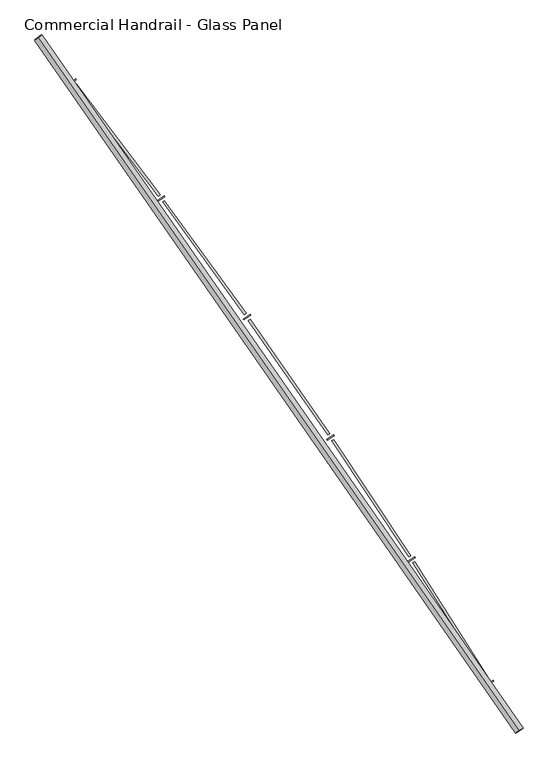
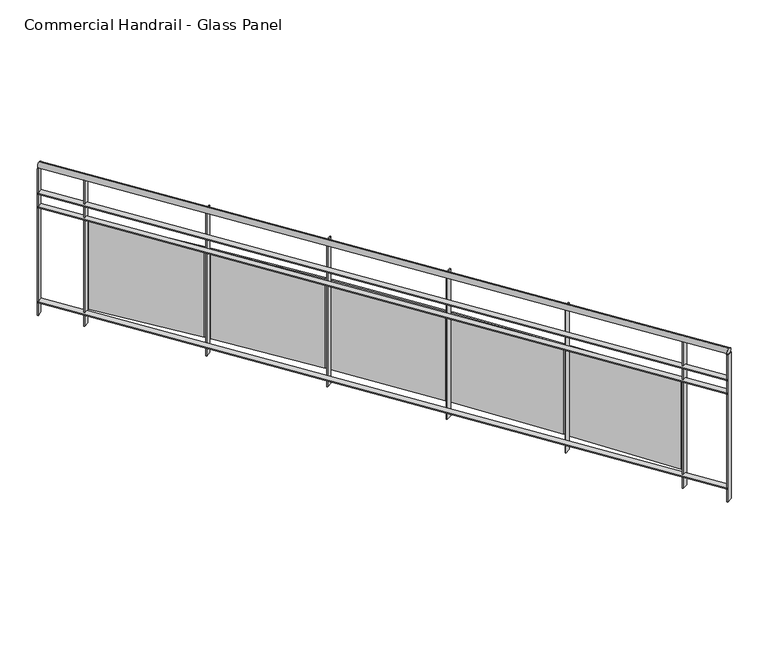
"""IFC4 building model written with IfcOpenShell, lengths in millimetres: railing geometry, Commercial Handrail - Glass Panel."""

from ifc_helpers import new_model, si_unit, point, frame, origin, place, context, project, spatial, polyline, circle_curve, ellipse_curve, trimmed, outline, extrude, source, transform, mapped, element, save
from ifc_brep_helpers import plane_surface, cylinder_surface, revolved_surface, advanced_brep


def commercial_handrail_glass_panel_457b8309(model_context):
    return source(origin(), model_context, "Body", "SolidModel", [
        advanced_brep(
        [(174947.1226561, -30258.7265853, 23082.5), (172321.2493354, -26475.2644148, 23082.5), (172321.2493354, -26475.2644148, 23117.5), (174947.1226561, -30258.7265853, 23117.5)],
        [
            (0, 1, circle_curve(frame((141591.4318743, -50605.9420988, 23082.5), z_axis=(0.0, 0.0, 1.0), x_axis=(0.7864946016239663, 0.6175971515610791, 0.0)), 39071.873345)),
            (1, 2, ellipse_curve(frame((172321.2493354, -26475.2644148, 23100.0), z_axis=(0.6175971515610744, -0.78649460162397, 0.0), x_axis=(-0.78649460162397, -0.6175971515610744, 0.0)), 25.0, 17.5)),
            (2, 3, circle_curve(frame((141591.4318743, -50605.9420988, 23117.5), z_axis=(0.0, 0.0, -1.0), x_axis=(0.7864946016239663, 0.6175971515610791, 0.0)), 39071.873345)),
            (3, 0, ellipse_curve(frame((174947.1226561, -30258.7265853, 23100.0), z_axis=(-0.5207637559080609, 0.8537008319853798, 0.0), x_axis=(-0.8537008319853798, -0.5207637559080609, 0.0)), 25.0, 17.5)),
            (2, 1, ellipse_curve(frame((172321.2493354, -26475.2644148, 23100.0), z_axis=(0.6175971515610744, -0.78649460162397, 0.0), x_axis=(-0.78649460162397, -0.6175971515610744, 0.0)), 25.0, 17.5)),
            (0, 3, ellipse_curve(frame((174947.1226561, -30258.7265853, 23100.0), z_axis=(-0.5207637559080609, 0.8537008319853798, 0.0), x_axis=(-0.8537008319853798, -0.5207637559080609, 0.0)), 25.0, 17.5)),
        ],
        [
            revolved_surface(trimmed(ellipse_curve(frame((172321.2493354, -26475.2644148, 23100.0), z_axis=(-0.6175971515610791, 0.7864946016239663, 0.0), x_axis=(0.0, 0.0, -1.0)), 17.5, 25.0), [point((172321.2493354, -26475.2644148, 23117.5))], [point((172321.2493354, -26475.2644148, 23082.5))], True, "CARTESIAN"), (141591.4318743, -50605.9420988, 23100.0), (0.0, 0.0, -1.0)),
            revolved_surface(trimmed(ellipse_curve(frame((172321.2493354, -26475.2644148, 23100.0), z_axis=(-0.6175971515610791, 0.7864946016239663, 0.0), x_axis=(0.0, 0.0, -1.0)), 17.5, 25.0), [point((172321.2493354, -26475.2644148, 23082.5))], [point((172321.2493354, -26475.2644148, 23117.5))], True, "CARTESIAN"), (141591.4318743, -50605.9420988, 23100.0), (0.0, 0.0, -1.0)),
            plane_surface(frame((172321.2493354, -26475.2644148, 23100.0), z_axis=(-0.6175971515610791, 0.7864946016239663, 0.0), x_axis=(0.7864946016239663, 0.6175971515610791, 0.0))),
            plane_surface(frame((174947.1226561, -30258.7265853, 23100.0), z_axis=(0.5207637559080605, -0.85370083198538, 0.0), x_axis=(0.85370083198538, 0.5207637559080605, 0.0))),
        ],
        [
            (0, [[1, 2, 3, 4]]),
            (1, [[-3, 5, -1, 6]]),
            (2, [[-2, -5]]),
            (3, [[-6, -4]]),
        ],
    ),
        advanced_brep(
        [(174966.3309248, -30247.0094008, 22900.0), (172338.945464, -26461.3684789, 22900.0), (172303.5532069, -26489.1603507, 22900.0), (174927.9143874, -30270.4437698, 22900.0), (174966.3309248, -30247.0094008, 22894.0), (172338.945464, -26461.3684789, 22894.0), (174927.9143874, -30270.4437698, 22894.0), (172303.5532069, -26489.1603507, 22894.0)],
        [
            (0, 1, circle_curve(frame((141591.4318743, -50605.9420988, 22900.0), z_axis=(0.0, 0.0, 1.0), x_axis=(0.7864946016239663, 0.6175971515610791, 0.0)), 39094.373345)),
            (1, 2),
            (2, 3, circle_curve(frame((141591.4318743, -50605.9420988, 22900.0), z_axis=(0.0, 0.0, -1.0), x_axis=(0.7864946016239663, 0.6175971515610791, 0.0)), 39049.373345)),
            (3, 0),
            (4, 5, circle_curve(frame((141591.4318743, -50605.9420988, 22894.0), z_axis=(0.0, 0.0, 1.0), x_axis=(0.7864946016239663, 0.6175971515610791, 0.0)), 39094.373345)),
            (5, 1),
            (0, 4),
            (6, 7, circle_curve(frame((141591.4318743, -50605.9420988, 22894.0), z_axis=(0.0, 0.0, 1.0), x_axis=(0.7864946016239663, 0.6175971515610791, 0.0)), 39049.373345)),
            (7, 5),
            (4, 6),
            (2, 7),
            (6, 3),
        ],
        [
            plane_surface(frame((141591.4318743, -50605.9420988, 22900.0), z_axis=(0.0, 0.0, 1.0), x_axis=(0.7864946016239663, 0.6175971515610791, 0.0))),
            cylinder_surface(frame((141591.4318743, -50605.9420988, 22900.0), z_axis=(0.0, 0.0, -1.0), x_axis=(0.7864946016239663, 0.6175971515610791, 0.0)), 39094.373345),
            plane_surface(frame((141591.4318743, -50605.9420988, 22894.0), z_axis=(0.0, 0.0, -1.0), x_axis=(0.7864946016239663, 0.6175971515610791, 0.0))),
            revolved_surface(polyline([(172303.55320694132, -26489.160350682872, 22894.0), (172303.55320694132, -26489.160350682872, 22900.0)]), (141591.4318743, -50605.9420988, 22900.0), (0.0, 0.0, -1.0)),
            plane_surface(frame((172321.2493354, -26475.2644148, 22900.0), z_axis=(-0.6175971515610791, 0.7864946016239663, 0.0), x_axis=(0.7864946016239663, 0.6175971515610791, 0.0))),
            plane_surface(frame((174947.1226561, -30258.7265853, 22900.0), z_axis=(0.5207637559080605, -0.85370083198538, 0.0), x_axis=(0.85370083198538, 0.5207637559080605, 0.0))),
        ],
        [
            (0, [[1, 2, 3, 4]]),
            (1, [[5, 6, -1, 7]]),
            (2, [[8, 9, -5, 10]]),
            (3, [[-3, 11, -8, 12]]),
            (4, [[-2, -6, -9, -11]]),
            (5, [[-12, -10, -7, -4]]),
        ],
    ),
        advanced_brep(
        [(174966.3309248, -30247.0094008, 22800.0), (172338.945464, -26461.3684789, 22800.0), (172303.5532069, -26489.1603507, 22800.0), (174927.9143874, -30270.4437698, 22800.0), (174966.3309248, -30247.0094008, 22794.0), (172338.945464, -26461.3684789, 22794.0), (174927.9143874, -30270.4437698, 22794.0), (172303.5532069, -26489.1603507, 22794.0)],
        [
            (0, 1, circle_curve(frame((141591.4318743, -50605.9420988, 22800.0), z_axis=(0.0, 0.0, 1.0), x_axis=(0.7864946016239663, 0.6175971515610791, 0.0)), 39094.373345)),
            (1, 2),
            (2, 3, circle_curve(frame((141591.4318743, -50605.9420988, 22800.0), z_axis=(0.0, 0.0, -1.0), x_axis=(0.7864946016239663, 0.6175971515610791, 0.0)), 39049.373345)),
            (3, 0),
            (4, 5, circle_curve(frame((141591.4318743, -50605.9420988, 22794.0), z_axis=(0.0, 0.0, 1.0), x_axis=(0.7864946016239663, 0.6175971515610791, 0.0)), 39094.373345)),
            (5, 1),
            (0, 4),
            (6, 7, circle_curve(frame((141591.4318743, -50605.9420988, 22794.0), z_axis=(0.0, 0.0, 1.0), x_axis=(0.7864946016239663, 0.6175971515610791, 0.0)), 39049.373345)),
            (7, 5),
            (4, 6),
            (2, 7),
            (6, 3),
        ],
        [
            plane_surface(frame((141591.4318743, -50605.9420988, 22800.0), z_axis=(0.0, 0.0, 1.0), x_axis=(0.7864946016239663, 0.6175971515610791, 0.0))),
            cylinder_surface(frame((141591.4318743, -50605.9420988, 22800.0), z_axis=(0.0, 0.0, -1.0), x_axis=(0.7864946016239663, 0.6175971515610791, 0.0)), 39094.373345),
            plane_surface(frame((141591.4318743, -50605.9420988, 22794.0), z_axis=(0.0, 0.0, -1.0), x_axis=(0.7864946016239663, 0.6175971515610791, 0.0))),
            revolved_surface(polyline([(172303.55320694132, -26489.160350682872, 22794.0), (172303.55320694132, -26489.160350682872, 22800.0)]), (141591.4318743, -50605.9420988, 22800.0), (0.0, 0.0, -1.0)),
            plane_surface(frame((172321.2493354, -26475.2644148, 22800.0), z_axis=(-0.6175971515610791, 0.7864946016239663, 0.0), x_axis=(0.7864946016239663, 0.6175971515610791, 0.0))),
            plane_surface(frame((174947.1226561, -30258.7265853, 22800.0), z_axis=(0.5207637559080605, -0.85370083198538, 0.0), x_axis=(0.85370083198538, 0.5207637559080605, 0.0))),
        ],
        [
            (0, [[1, 2, 3, 4]]),
            (1, [[5, 6, -1, 7]]),
            (2, [[8, 9, -5, 10]]),
            (3, [[-3, 11, -8, 12]]),
            (4, [[-2, -6, -9, -11]]),
            (5, [[-12, -10, -7, -4]]),
        ],
    ),
        advanced_brep(
        [(174966.3309248, -30247.0094008, 22100.0), (172338.945464, -26461.3684789, 22100.0), (172303.5532069, -26489.1603507, 22100.0), (174927.9143874, -30270.4437698, 22100.0), (174966.3309248, -30247.0094008, 22094.0), (172338.945464, -26461.3684789, 22094.0), (174927.9143874, -30270.4437698, 22094.0), (172303.5532069, -26489.1603507, 22094.0)],
        [
            (0, 1, circle_curve(frame((141591.4318743, -50605.9420988, 22100.0), z_axis=(0.0, 0.0, 1.0), x_axis=(0.7864946016239663, 0.6175971515610791, 0.0)), 39094.373345)),
            (1, 2),
            (2, 3, circle_curve(frame((141591.4318743, -50605.9420988, 22100.0), z_axis=(0.0, 0.0, -1.0), x_axis=(0.7864946016239663, 0.6175971515610791, 0.0)), 39049.373345)),
            (3, 0),
            (4, 5, circle_curve(frame((141591.4318743, -50605.9420988, 22094.0), z_axis=(0.0, 0.0, 1.0), x_axis=(0.7864946016239663, 0.6175971515610791, 0.0)), 39094.373345)),
            (5, 1),
            (0, 4),
            (6, 7, circle_curve(frame((141591.4318743, -50605.9420988, 22094.0), z_axis=(0.0, 0.0, 1.0), x_axis=(0.7864946016239663, 0.6175971515610791, 0.0)), 39049.373345)),
            (7, 5),
            (4, 6),
            (2, 7),
            (6, 3),
        ],
        [
            plane_surface(frame((141591.4318743, -50605.9420988, 22100.0), z_axis=(0.0, 0.0, 1.0), x_axis=(0.7864946016239663, 0.6175971515610791, 0.0))),
            cylinder_surface(frame((141591.4318743, -50605.9420988, 22100.0), z_axis=(0.0, 0.0, -1.0), x_axis=(0.7864946016239663, 0.6175971515610791, 0.0)), 39094.373345),
            plane_surface(frame((141591.4318743, -50605.9420988, 22094.0), z_axis=(0.0, 0.0, -1.0), x_axis=(0.7864946016239663, 0.6175971515610791, 0.0))),
            revolved_surface(polyline([(172303.55320694132, -26489.160350682872, 22094.0), (172303.55320694132, -26489.160350682872, 22100.0)]), (141591.4318743, -50605.9420988, 22100.0), (0.0, 0.0, -1.0)),
            plane_surface(frame((172321.2493354, -26475.2644148, 22100.0), z_axis=(-0.6175971515610791, 0.7864946016239663, 0.0), x_axis=(0.7864946016239663, 0.6175971515610791, 0.0))),
            plane_surface(frame((174947.1226561, -30258.7265853, 22100.0), z_axis=(0.5207637559080605, -0.85370083198538, 0.0), x_axis=(0.85370083198538, 0.5207637559080605, 0.0))),
        ],
        [
            (0, [[1, 2, 3, 4]]),
            (1, [[5, 6, -1, 7]]),
            (2, [[8, 9, -5, 10]]),
            (3, [[-3, 11, -8, 12]]),
            (4, [[-2, -6, -9, -11]]),
            (5, [[-12, -10, -7, -4]]),
        ],
    ),
        extrude(outline(polyline([(174767.0827529, -30009.1035934), (174805.3157733, -29985.3709966), (174808.4801195, -29990.4687326), (174770.2470991, -30014.2013295), (174767.0827529, -30009.1035934)])), frame((0.0, 0.0, 22000.0), z_axis=(0.0, 0.0, 1.0), x_axis=(1.0, 0.0, 0.0)), (0.0, 0.0, 1.0), 1082.1192282),
        extrude(outline(polyline([(174376.4508905, -29337.0184477), (174783.8574789, -29978.5945319), (174773.7273302, -29985.0272675), (174366.3207418, -29343.4511834), (174376.4508905, -29337.0184477)])), frame((0.0, 0.0, 22120.0), z_axis=(0.0, 0.0, 1.0), x_axis=(1.0, 0.0, 0.0)), (0.0, 0.0, 1.0), 660.0),
        extrude(outline(polyline([(174338.4363039, -29334.1939685), (174376.1754174, -29309.6835764), (174379.4434696, -29314.7154582), (174341.7043562, -29339.2258503), (174338.4363039, -29334.1939685)])), frame((0.0, 0.0, 22000.0), z_axis=(0.0, 0.0, 1.0), x_axis=(1.0, 0.0, 0.0)), (0.0, 0.0, 1.0), 1082.1192282),
        extrude(outline(polyline([(173934.1262806, -28670.2473592), (174354.5828818, -29303.3478619), (174344.5865581, -29309.9866503), (173924.1299568, -28676.8861476), (173934.1262806, -28670.2473592)])), frame((0.0, 0.0, 22120.0), z_axis=(0.0, 0.0, 1.0), x_axis=(1.0, 0.0, 0.0)), (0.0, 0.0, 1.0), 660.0),
        extrude(outline(polyline([(173896.0618347, -28668.2017695), (173933.2912204, -28642.9238574), (173936.6616087, -28647.8877755), (173899.432223, -28673.1656876), (173896.0618347, -28668.2017695)])), frame((0.0, 0.0, 22000.0), z_axis=(0.0, 0.0, 1.0), x_axis=(1.0, 0.0, 0.0)), (0.0, 0.0, 1.0), 1082.1192282),
        extrude(outline(polyline([(173478.243143, -28012.6720327), (173911.5734956, -28637.031549), (173901.7151874, -28643.8736072), (173468.3848349, -28019.5140909), (173478.243143, -28012.6720327)])), frame((0.0, 0.0, 22120.0), z_axis=(0.0, 0.0, 1.0), x_axis=(1.0, 0.0, 0.0)), (0.0, 0.0, 1.0), 660.0),
        extrude(outline(polyline([(173440.1447951, -28011.4061902), (173476.848846, -27985.3713549), (173480.3201573, -27990.2652284), (173443.6161065, -28016.3000637), (173440.1447951, -28011.4061902)])), frame((0.0, 0.0, 22000.0), z_axis=(0.0, 0.0, 1.0), x_axis=(1.0, 0.0, 0.0)), (0.0, 0.0, 1.0), 1082.1192282),
        extrude(outline(polyline([(173008.9925907, -27364.5681335), (173455.0150362, -27979.9249228), (173445.2988764, -27986.9673824), (172999.2764309, -27371.6105932), (173008.9925907, -27364.5681335)])), frame((0.0, 0.0, 22120.0), z_axis=(0.0, 0.0, 1.0), x_axis=(1.0, 0.0, 0.0)), (0.0, 0.0, 1.0), 660.0),
        extrude(outline(polyline([(172970.876312, -27364.0825688), (173007.0396412, -27337.3017244), (173010.6104205, -27342.1235017), (172974.4470913, -27368.904346), (172970.876312, -27364.0825688)])), frame((0.0, 0.0, 22000.0), z_axis=(0.0, 0.0, 1.0), x_axis=(1.0, 0.0, 0.0)), (0.0, 0.0, 1.0), 1082.1192282),
        extrude(outline(polyline([(172526.5713403, -26726.207356), (172985.0988996, -27332.3034518), (172975.5289613, -27339.5433607), (172517.0014019, -26733.4472649), (172526.5713403, -26726.207356)])), frame((0.0, 0.0, 22120.0), z_axis=(0.0, 0.0, 1.0), x_axis=(1.0, 0.0, 0.0)), (0.0, 0.0, 1.0), 660.0),
        extrude(outline(polyline([(172488.4531098, -26726.5022727), (172524.0605571, -26698.9866462), (172527.7293072, -26703.7343059), (172492.12186, -26731.2499323), (172488.4531098, -26726.5022727)])), frame((0.0, 0.0, 22000.0), z_axis=(0.0, 0.0, 1.0), x_axis=(1.0, 0.0, 0.0)), (0.0, 0.0, 1.0), 1082.1192282),
        extrude(outline(polyline([(174926.3520961, -30267.8826673), (174964.7686336, -30244.4482983), (174967.8932161, -30249.5705033), (174929.4766787, -30273.0048723), (174926.3520961, -30267.8826673)])), frame((0.0, 0.0, 22000.0), z_axis=(0.0, 0.0, 1.0), x_axis=(1.0, 0.0, 0.0)), (0.0, 0.0, 1.0), 1082.1192282),
        extrude(outline(polyline([(172301.7004154, -26486.8008669), (172337.0926725, -26459.0089951), (172340.7982554, -26463.7279627), (172305.4059984, -26491.5198345), (172301.7004154, -26486.8008669)])), frame((0.0, 0.0, 22000.0), z_axis=(0.0, 0.0, 1.0), x_axis=(1.0, 0.0, 0.0)), (0.0, 0.0, 1.0), 1082.1192282),
    ])


if __name__ == "__main__":
    model = new_model("IFC4")
    model_context = context("Model", 3, world=origin())
    ifc_project = project(units=[si_unit("LENGTHUNIT", "METRE", prefix="MILLI")], contexts=[model_context])
    site = spatial("IfcSite", under=ifc_project)
    building = spatial("IfcBuilding", under=site)
    placement = place(None, origin())
    commercial_handrail_glass_panel_shape = commercial_handrail_glass_panel_457b8309(model_context)
    element("IfcRailing", 1, ObjectType="Commercial Handrail - Glass Panel", at=placement, inside=building, context=model_context, shape_type="MappedRepresentation", body=[
        mapped(commercial_handrail_glass_panel_shape, transform((0.0, 0.0, 0.0), x_axis=(1.0, 0.0, 0.0), y_axis=(0.0, 1.0, 0.0), z_axis=(0.0, 0.0, 1.0))),
    ])
    save(model, "model.ifc")
